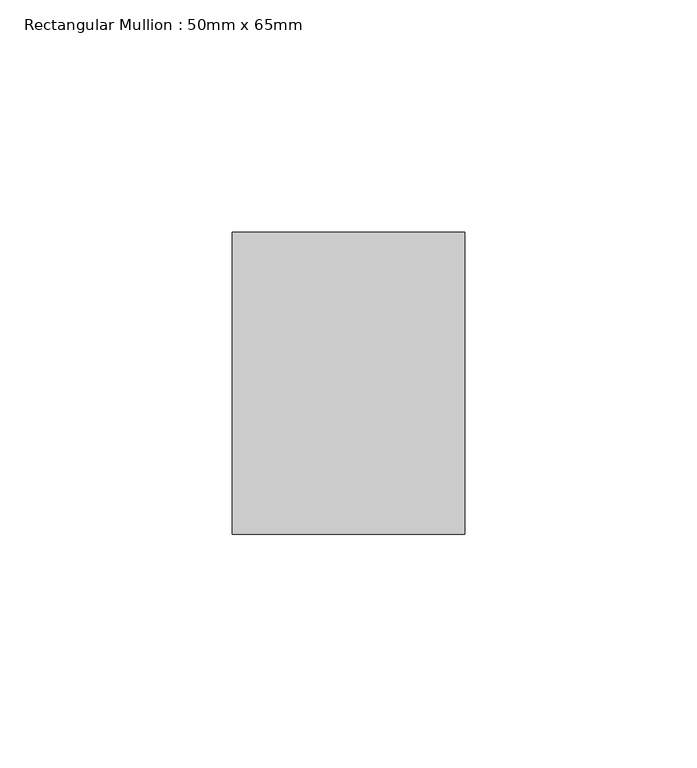
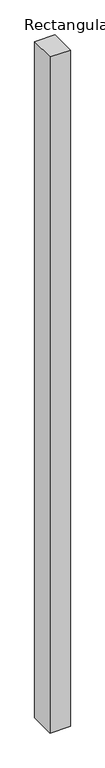
"""IFC4 building model written with IfcOpenShell, lengths in millimetres: member geometry, Rectangular Mullion : 50mm x 65mm."""

from ifc_helpers import new_model, si_unit, frame, origin, place, context, project, spatial, polyline, outline, extrude, source, transform, mapped, element, save


def rectangular_mullion_50mm_x_65mm_e7939493(model_context):
    return source(origin(), model_context, "Body", "SweptSolid", [
        extrude(outline(polyline([(25.0, 32.5), (25.0, -32.5), (-25.0, -32.5), (-25.0, 32.5), (25.0, 32.5)])), frame((0.0, 0.0, -1754.4948559), z_axis=(0.0, 0.0, 1.0), x_axis=(1.0, 0.0, 0.0)), (0.0, 0.0, 1.0), 1754.4948559),
    ])


if __name__ == "__main__":
    model = new_model("IFC4")
    model_context = context("Model", 3, world=origin())
    ifc_project = project(units=[si_unit("LENGTHUNIT", "METRE", prefix="MILLI")], contexts=[model_context])
    site = spatial("IfcSite", under=ifc_project)
    building = spatial("IfcBuilding", under=site)
    placement = place(None, origin())
    rectangular_mullion_50mm_x_65mm_shape = rectangular_mullion_50mm_x_65mm_e7939493(model_context)
    element("IfcMember", 1, ObjectType="Rectangular Mullion : 50mm x 65mm", at=placement, inside=building, context=model_context, shape_type="MappedRepresentation", body=[
        mapped(rectangular_mullion_50mm_x_65mm_shape, transform((0.0, 0.0, 0.0), x_axis=(1.0, 0.0, 0.0), y_axis=(0.0, 1.0, 0.0), z_axis=(0.0, 0.0, 1.0))),
    ])
    save(model, "model.ifc")
